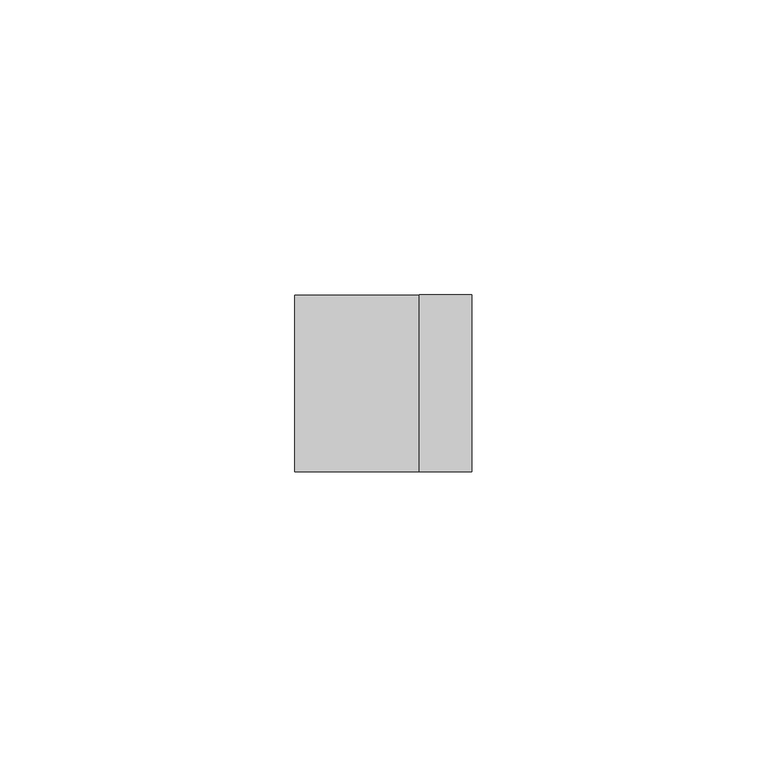
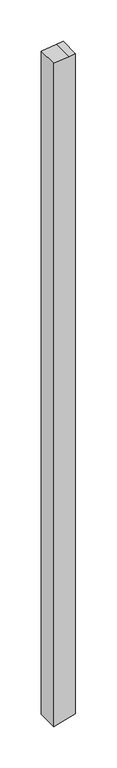
"""IFC4 building model written with IfcOpenShell, lengths in millimetres: member geometry."""

from ifc_helpers import new_model, si_unit, frame, origin, place, context, project, spatial, polyline, outline, extrude, source, transform, mapped, element, save


def member_0400582f(model_context):
    return source(origin(), model_context, "Body", "SweptSolid", [
        extrude(outline(polyline([(-48.5433044, 15.0), (-49.6337196, 6.041016), (-52.1946624, -15.0), (-1027.6605568, -15.0), (-1025.3750777, -6.4704761), (-1019.622081, 15.0), (-48.5433044, 15.0)])), frame((0.0, -15.0, 0.0), z_axis=(0.0, 1.0, 0.0), x_axis=(0.0, 0.0, 1.0)), (0.0, 0.0, 1.0), 30.0),
    ])


if __name__ == "__main__":
    model = new_model("IFC4")
    model_context = context("Model", 3, world=origin())
    ifc_project = project(units=[si_unit("LENGTHUNIT", "METRE", prefix="MILLI")], contexts=[model_context])
    site = spatial("IfcSite", under=ifc_project)
    building = spatial("IfcBuilding", under=site)
    placement = place(None, origin())
    member_shape = member_0400582f(model_context)
    element("IfcMember", 1, at=placement, inside=building, context=model_context, shape_type="MappedRepresentation", body=[
        mapped(member_shape, transform((0.0, 0.0, 0.0), x_axis=(1.0, 0.0, 0.0), y_axis=(0.0, 1.0, 0.0), z_axis=(0.0, 0.0, 1.0))),
    ])
    save(model, "model.ifc")
